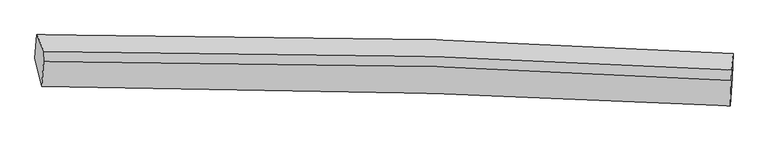
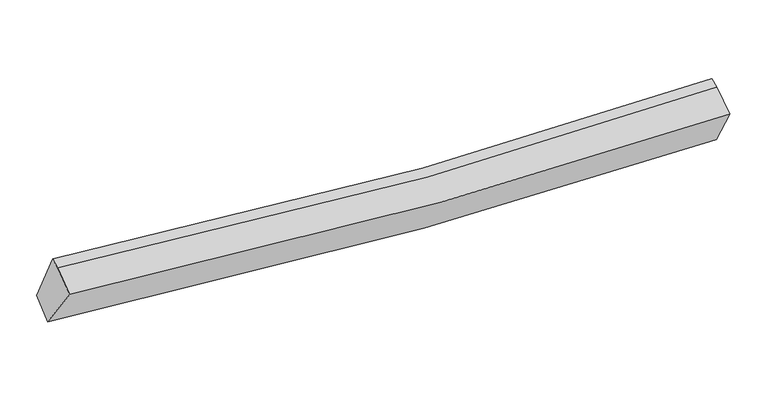
"""IFC4 building model written with IfcOpenShell, lengths in millimetres: proxy geometry."""

from ifc_helpers import new_model, si_unit, frame, origin, place, context, project, spatial, source, transform, mapped, element, save
from ifc_brep_helpers import plane_surface, spline_curve, spline_surface, advanced_brep


def generic_models_e69e7d0a(model_context):
    return source(origin(), model_context, "Body", "AdvancedBrep", [
        advanced_brep(
        [(-4552.6040402, -1931.1104559, 2871.8616157), (-4526.2399929, -1616.1906704, 3076.6691753), (4942.0740909, -1873.8102317, 2704.4915908), (4930.7637443, -2198.4528857, 2495.4622161), (-4459.2665851, -2322.6969275, 3492.7868565), (4904.518856, -2587.9819836, 3124.0942928), (-4435.0096527, -1980.6471055, 3684.8414633), (4917.2105187, -2236.2693103, 3320.1458924), (-4429.6340046, -1843.5134078, 3731.6437214), (4922.5861667, -2099.1356126, 3366.9481505)],
        [
            (0, 1),
            (1, 2, spline_curve(3, [(-4526.2399929, -1616.1906704, 3076.6691753), (-2736.924670248, -1601.839282304, 2825.258179494), (-946.459712912, -1623.29721102, 2676.577694025), (2210.127320222, -1724.194495633, 2595.61994068), (3575.767057807, -1788.60975373, 2620.241230977), (4942.0740909, -1873.8102317, 2704.4915908)], [4, 2, 4], [0.0, 17.69026164035836, 31.167892232170296])),
            (2, 3),
            (3, 0, spline_curve(3, [(4930.7637443, -2198.4528857, 2495.4622161), (3563.785340111, -2124.669421816, 2441.339329403), (2196.826262493, -2066.128210991, 2434.080921966), (-964.310302158, -1965.996570846, 2525.672524316), (-2758.473818694, -1935.423638884, 2658.39739867), (-4552.6040402, -1931.1104559, 2871.8616157)], [4, 2, 4], [0.0, 13.477630591811934, 31.167892232170296])),
            (4, 0),
            (3, 5),
            (5, 4, spline_curve(3, [(4904.518856, -2587.9819836, 3124.0942928), (3551.449664378, -2514.886232302, 3070.388854369), (2199.838634878, -2456.86358715, 3062.88702159), (-922.477176174, -2357.540002056, 3152.387375823), (-2692.127959894, -2327.134294736, 3282.786729315), (-4459.2665851, -2322.6969275, 3492.7868565)], [4, 2, 4], [0.0, 13.399042310276531, 30.986151749455555])),
            (6, 4),
            (5, 7),
            (7, 6, spline_curve(3, [(4917.2105187, -2236.2693103, 3320.1458924), (3564.618474876, -2153.639599181, 3241.852761965), (2213.999117579, -2090.807949139, 3220.146326765), (-904.833515056, -1991.289994167, 3300.809183518), (-2671.620881655, -1968.91424228, 3444.080808897), (-4435.0096527, -1980.6471055, 3684.8414633)], [4, 2, 4], [0.0, 13.308199723608492, 30.77607239373548])),
            (8, 6),
            (7, 9),
            (9, 8, spline_curve(3, [(4922.5861667, -2099.1356126, 3366.9481505), (3569.994123148, -2016.50590114, 3288.655020432), (2219.3747658, -1953.674251483, 3266.948585027), (-899.457867347, -1854.15629641, 3347.611441405), (-2666.245233495, -1831.780544397, 3490.883066939), (-4429.6340046, -1843.5134078, 3731.6437214)], [4, 2, 4], [0.0, 13.303383097128584, 30.76493363354869])),
            (1, 8),
            (9, 2),
        ],
        [
            spline_surface(3, 3, [[(-4552.6040402, -1931.1104559, 2871.8616157), (-2758.473818966, -1935.423638641, 2658.397398477), (-964.310302009, -1965.996570965, 2525.672524502), (2196.826262379, -2066.1282109, 2434.080921824), (3563.785340195, -2124.66942179, 2441.339329237), (4930.7637443, -2198.4528857, 2495.4622161)], [(-4543.816024419, -1826.137194093, 2940.130802236), (-2751.290769323, -1824.228853164, 2714.01765873), (-958.360105656, -1851.763451019, 2575.974247697), (2201.25994835, -1952.150305759, 2487.927261421), (3567.779246033, -2012.649532387, 2500.97329645), (4934.533859806, -2090.238667698, 2565.138674311)], [(-4535.028008681, -1721.163932207, 3008.399988764), (-2744.107719722, -1713.034067607, 2769.637918974), (-952.409909326, -1737.530331115, 2626.275970903), (2205.693634299, -1838.172400661, 2541.773601028), (3571.773151951, -1900.62964299, 2560.60726373), (4938.303975394, -1982.024449702, 2634.815132589)], [(-4526.2399929, -1616.1906704, 3076.6691753), (-2736.924670078, -1601.83928213, 2825.258179227), (-946.459712974, -1623.297211169, 2676.577694098), (2210.12732027, -1724.19449552, 2595.619940625), (3575.767057788, -1788.609753586, 2620.241230942), (4942.0740909, -1873.8102317, 2704.4915908)]], [4, 4], [4, 2, 4], [0.0, 1.234075298613124], [0.0, 17.69026164035836, 31.167892232170296]),
            spline_surface(3, 3, [[(-4459.2665851, -2322.6969275, 3492.7868565), (-2692.127960001, -2327.134295004, 3282.78672935), (-922.477176076, -2357.540002037, 3152.387375631), (2199.838634804, -2456.863587164, 3062.887021736), (3551.44966454, -2514.886232178, 3070.38885426), (4904.518856, -2587.9819836, 3124.0942928)], [(-4490.379070138, -2192.168103627, 3285.811776218), (-2714.243246328, -2196.564076211, 3074.656952377), (-936.421551375, -2227.025525028, 2943.482425268), (2198.834510675, -2326.618461758, 2853.284988445), (3555.561556431, -2384.813962075, 2860.705679271), (4913.267152105, -2458.138950993, 2914.550267252)], [(-4521.491555162, -2061.639279773, 3078.836695982), (-2736.35853264, -2065.993857435, 2866.527175449), (-950.36592671, -2096.511047974, 2734.577474865), (2197.830386509, -2196.373336306, 2643.682955115), (3559.673448305, -2254.741691893, 2651.022504227), (4922.015448195, -2328.295918307, 2705.006241648)], [(-4552.6040402, -1931.1104559, 2871.8616157), (-2758.473818966, -1935.423638641, 2658.397398477), (-964.310302009, -1965.996570965, 2525.672524502), (2196.826262379, -2066.1282109, 2434.080921824), (3563.785340195, -2124.66942179, 2441.339329237), (4930.7637443, -2198.4528857, 2495.4622161)]], [4, 4], [4, 2, 4], [0.0, 2.427610688163916], [0.0, 17.587109439179024, 30.986151749455555]),
            spline_surface(3, 3, [[(-4435.0096527, -1980.6471055, 3684.8414633), (-2671.620881593, -1968.914242229, 3444.080808767), (-904.833515116, -1991.289994088, 3300.809183287), (2213.999117624, -2090.807949199, 3220.146326942), (3564.61847499, -2153.63959896, 3241.852762141), (4917.2105187, -2236.2693103, 3320.1458924)], [(-4443.09529685, -2094.663712816, 3620.823261031), (-2678.456574412, -2088.32092647, 3390.316115626), (-910.714735427, -2113.37333005, 3251.335247401), (2209.278956694, -2212.826495166, 3167.72655854), (3560.228871531, -2274.055143352, 3184.698126169), (4912.979964491, -2353.506868053, 3254.795359188)], [(-4451.18094095, -2208.680320184, 3556.805058769), (-2685.292267182, -2207.727610763, 3336.551422491), (-916.595955766, -2235.456666075, 3201.861311516), (2204.558795734, -2334.845041197, 3115.306790138), (3555.839267999, -2394.470687786, 3127.543490233), (4908.749410209, -2470.744425847, 3189.444826012)], [(-4459.2665851, -2322.6969275, 3492.7868565), (-2692.127960001, -2327.134295004, 3282.78672935), (-922.477176076, -2357.540002037, 3152.387375631), (2199.838634804, -2456.863587164, 3062.887021736), (3551.44966454, -2514.886232178, 3070.38885426), (4904.518856, -2587.9819836, 3124.0942928)]], [4, 4], [4, 2, 4], [0.0, 1.3013436583767835], [0.0, 17.467872670126987, 30.77607239373548]),
            spline_surface(3, 3, [[(-4429.6340046, -1843.5134078, 3731.6437214), (-2666.245233493, -1831.780544529, 3490.883066867), (-899.457867116, -1854.156296388, 3347.611441387), (2219.374765624, -1953.674251499, 3266.948585042), (3569.99412299, -2016.50590126, 3288.655020241), (4922.5861667, -2099.1356126, 3366.9481505)], [(-4431.425887293, -1889.224640367, 3716.042968702), (-2668.037116186, -1877.491777096, 3475.282314169), (-901.249749809, -1899.867528955, 3332.010688688), (2217.582882932, -1999.385484066, 3251.347832343), (3568.202240297, -2062.217133827, 3273.054267543), (4920.794284007, -2144.846845167, 3351.347397802)], [(-4433.217770007, -1934.935872933, 3700.442215998), (-2669.8289989, -1923.203009662, 3459.681561466), (-903.041632423, -1945.578761521, 3316.409935985), (2215.791000317, -2045.096716633, 3235.74707964), (3566.410357683, -2107.928366394, 3257.45351484), (4919.002401393, -2190.558077733, 3335.746645098)], [(-4435.0096527, -1980.6471055, 3684.8414633), (-2671.620881593, -1968.914242229, 3444.080808767), (-904.833515116, -1991.289994088, 3300.809183287), (2213.999117624, -2090.807949199, 3220.146326942), (3564.61847499, -2153.63959896, 3241.852762141), (4917.2105187, -2236.2693103, 3320.1458924)]], [4, 4], [4, 2, 4], [0.0, 0.47572178477690186], [0.0, 17.461550536420106, 30.76493363354869]),
            spline_surface(3, 3, [[(-4526.2399929, -1616.1906704, 3076.6691753), (-2736.924670078, -1601.83928213, 2825.258179227), (-946.459712974, -1623.297211169, 2676.577694098), (2210.12732027, -1724.19449552, 2595.619940625), (3575.767057788, -1788.609753586, 2620.241230942), (4942.0740909, -1873.8102317, 2704.4915908)], [(-4494.0379968, -1691.964916197, 3294.994024013), (-2713.364857884, -1678.486369593, 3047.133141787), (-930.792431024, -1700.250239595, 2900.25560985), (2213.209802052, -1800.687747533, 2819.396155419), (3573.842746212, -1864.575136134, 2843.04582739), (4935.57811619, -1948.91869199, 2925.310444048)], [(-4461.8360007, -1767.739162003, 3513.318872687), (-2689.805045688, -1755.133457066, 3269.008104308), (-915.125149066, -1777.203267961, 3123.933525635), (2216.292283843, -1877.180999486, 3043.172370247), (3571.918434566, -1940.540518713, 3065.850423793), (4929.08214141, -2024.02715231, 3146.129297252)], [(-4429.6340046, -1843.5134078, 3731.6437214), (-2666.245233493, -1831.780544529, 3490.883066867), (-899.457867116, -1854.156296388, 3347.611441387), (2219.374765624, -1953.674251499, 3266.948585042), (3569.99412299, -2016.50590126, 3288.655020241), (4922.5861667, -2099.1356126, 3366.9481505)]], [4, 4], [4, 2, 4], [0.0, 2.3297947318673033], [0.0, 17.572645509547513, 30.960668225855198]),
            plane_surface(frame((4923.4306753, -2199.1300048, 3002.2284285), z_axis=(0.9989246722603917, -0.04407105603149679, 0.014395873357948097), x_axis=(-0.031503618997427936, -0.8730315625697047, -0.4866450582787879))),
            plane_surface(frame((-4480.5508551, -1938.8317134, 3371.5605664), z_axis=(-0.9897369343626932, -0.00985680529755703, 0.14256101903277885), x_axis=(-0.07000837081794564, -0.8362532819471032, -0.5438559335413339))),
        ],
        [
            (0, [[1, 2, 3, 4]]),
            (1, [[5, -4, 6, 7]]),
            (2, [[8, -7, 9, 10]]),
            (3, [[11, -10, 12, 13]]),
            (4, [[14, -13, 15, -2]]),
            (5, [[-9, -6, -3, -15, -12]]),
            (6, [[-1, -5, -8, -11, -14]]),
        ],
    ),
    ])


if __name__ == "__main__":
    model = new_model("IFC4")
    model_context = context("Model", 3, world=origin())
    ifc_project = project(units=[si_unit("LENGTHUNIT", "METRE", prefix="MILLI")], contexts=[model_context])
    site = spatial("IfcSite", under=ifc_project)
    building = spatial("IfcBuilding", under=site)
    placement = place(None, origin())
    generic_models_shape = generic_models_e69e7d0a(model_context)
    element("IfcBuildingElementProxy", 1, Name="Generic Models", at=placement, inside=building, context=model_context, shape_type="MappedRepresentation", body=[
        mapped(generic_models_shape, transform((0.0, 0.0, 0.0), x_axis=(1.0, 0.0, 0.0), y_axis=(0.0, 1.0, 0.0), z_axis=(0.0, 0.0, 1.0))),
    ])
    save(model, "model.ifc")
